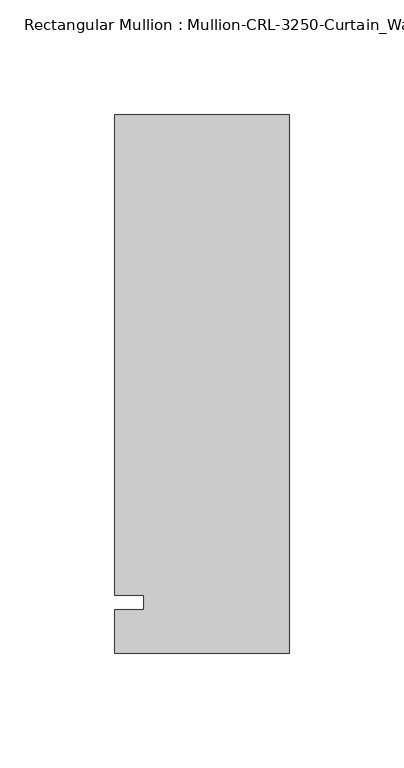
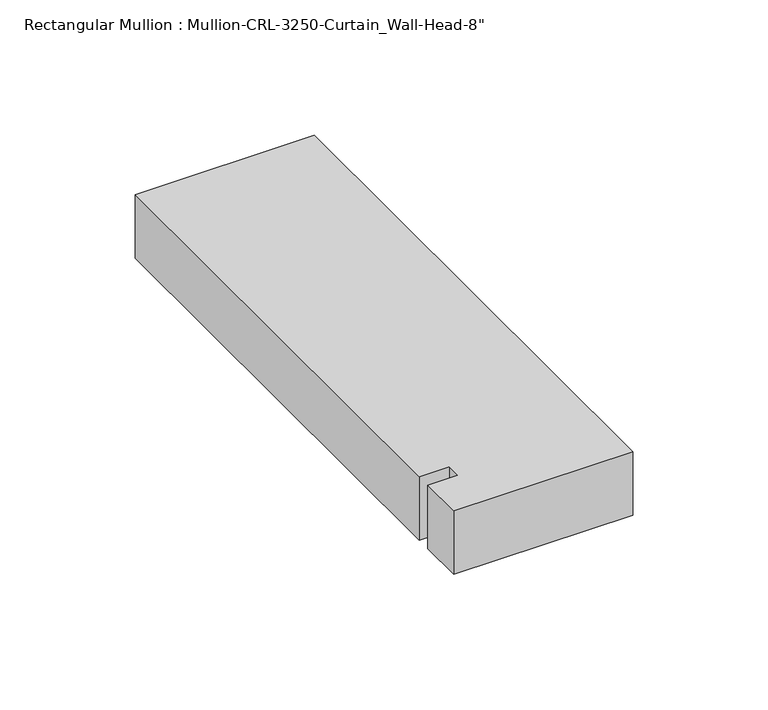
"""IFC4 building model written with IfcOpenShell, lengths in millimetres: member geometry."""

import ifcopenshell
import ifcopenshell.guid

model = None  # the IFC model being written
_history = None  # IfcOwnerHistory: only IFC2X3 demands one
_inside = {}  # id of a spatial element -> (the spatial element, [elements in it])
_under = {}  # id of a project, library or spatial element -> (it, [spatial elements below it])
_declared = {}  # id of a project -> (the project, [libraries it declares])
_typed = {}  # id of a type object -> (the type object, [elements of that type])
_made_of = {}  # id of a material, layer set ... -> (it, [elements and type objects made of it])


def new_model(schema):
    """Start an empty IFC model of exactly this schema.

    Asked for "IFC4X3", IfcOpenShell would pick the latest addendum, in which some entities
    have other attributes; the version numbers below select the first issue.
    IFC2X3 requires an IfcOwnerHistory on every rooted entity: one is made here for all.
    """
    global model, _history
    if schema == "IFC4X3":
        model = ifcopenshell.file(schema_version=(4, 3, 0, 0))
    else:
        model = ifcopenshell.file(schema=schema)
    _inside.clear()
    _under.clear()
    _declared.clear()
    _typed.clear()
    _made_of.clear()
    _history = None
    if model.schema == "IFC2X3":
        org = make("IfcOrganization", Name="unknown")
        user = make(
            "IfcPersonAndOrganization",
            ThePerson=make("IfcPerson", FamilyName="unknown"),
            TheOrganization=org,
        )
        app = make(
            "IfcApplication",
            ApplicationDeveloper=org,
            Version="unknown",
            ApplicationFullName="unknown",
            ApplicationIdentifier="unknown",
        )
        _history = make(
            "IfcOwnerHistory",
            OwningUser=user,
            OwningApplication=app,
            ChangeAction="ADDED",
            CreationDate=0,
        )
    return model


def make(cls, **values):
    """One entity of the class cls with the attributes given. An attribute that is None is left unset."""
    return model.create_entity(
        cls, **{name: value for name, value in values.items() if value is not None}
    )


def rooted(cls, **values):
    """An entity with a GlobalId (a new one), such as an element, a storey or a relation."""
    return make(cls, GlobalId=ifcopenshell.guid.new(), OwnerHistory=_history, **values)


def si_unit(unit_type, name, prefix=None):
    """IfcSIUnit, for example si_unit("LENGTHUNIT", "METRE", prefix="MILLI")."""
    return make("IfcSIUnit", UnitType=unit_type, Prefix=prefix, Name=name)


def assignment(units):
    """IfcUnitAssignment: the units of a project."""
    return None if units is None else make("IfcUnitAssignment", Units=units)


def point(xyz):
    """IfcCartesianPoint."""
    return None if xyz is None else make("IfcCartesianPoint", Coordinates=xyz)


def direction(xyz):
    """IfcDirection."""
    return None if xyz is None else make("IfcDirection", DirectionRatios=xyz)


def frame(location, z_axis=None, x_axis=None):
    """IfcAxis2Placement3D, a coordinate frame: its origin and axes. An axis left out is left unset."""
    return make(
        "IfcAxis2Placement3D",
        Location=point(location),
        Axis=direction(z_axis),
        RefDirection=direction(x_axis),
    )


def origin():
    """The frame at (0, 0, 0) with its axes left unset."""
    return frame((0.0, 0.0, 0.0))


def place(relative_to, where):
    """IfcLocalPlacement: puts the frame where relative to a parent placement (None: the world)."""
    return make(
        "IfcLocalPlacement", PlacementRelTo=relative_to, RelativePlacement=where
    )


def context(
    kind, dimensions, precision=None, world=None, true_north=None, identifier=None
):
    """IfcGeometricRepresentationContext, for example the 3D "Model" context."""
    return make(
        "IfcGeometricRepresentationContext",
        ContextIdentifier=identifier,
        ContextType=kind,
        CoordinateSpaceDimension=dimensions,
        Precision=precision,
        WorldCoordinateSystem=world,
        TrueNorth=true_north,
    )


def project(units=None, contexts=None):
    """IfcProject with its units and contexts."""
    return rooted(
        "IfcProject",
        Name="project",
        RepresentationContexts=contexts,
        UnitsInContext=assignment(units),
    )


def spatial(cls, under=None, at=None, **own):
    """A site, building, storey or space (cls), placed at a placement, below another one or the project."""
    s = rooted(cls, ObjectPlacement=at, **own)
    if under is not None:
        _under.setdefault(under.id(), (under, []))[1].append(s)
    return s


def polyline(points):
    """IfcPolyline through the points."""
    return make("IfcPolyline", Points=[point(p) for p in points])


def outline(outer, holes=None, kind="AREA"):
    """IfcArbitraryClosedProfileDef: a profile drawn as a closed curve; with holes, ...WithVoids."""
    if holes is None:
        return make("IfcArbitraryClosedProfileDef", ProfileType=kind, OuterCurve=outer)
    return make(
        "IfcArbitraryProfileDefWithVoids",
        ProfileType=kind,
        OuterCurve=outer,
        InnerCurves=holes,
    )


def extrude(swept, where, along, depth):
    """IfcExtrudedAreaSolid: the profile swept, set in the frame where, extruded along a direction by depth."""
    return make(
        "IfcExtrudedAreaSolid",
        SweptArea=swept,
        Position=where,
        ExtrudedDirection=direction(along),
        Depth=depth,
    )


def shape(context_of_items, identifier, shape_type, items):
    """IfcShapeRepresentation: the items that make up one representation, for example the "Body"."""
    return make(
        "IfcShapeRepresentation",
        ContextOfItems=context_of_items,
        RepresentationIdentifier=identifier,
        RepresentationType=shape_type,
        Items=items,
    )


def source(mapping_origin, context_of_items, identifier, shape_type, items):
    """IfcRepresentationMap: a shape defined once, which mapped items show again and again."""
    return make(
        "IfcRepresentationMap",
        MappingOrigin=mapping_origin,
        MappedRepresentation=shape(context_of_items, identifier, shape_type, items),
    )


def transform(
    local_origin,
    x_axis=None,
    y_axis=None,
    z_axis=None,
    scale=None,
    scale2=None,
    scale3=None,
    uniform=True,
):
    """IfcCartesianTransformationOperator3D, or its non-uniform kind. x_axis, y_axis, z_axis: its Axis1, 2, 3."""
    if uniform:
        return make(
            "IfcCartesianTransformationOperator3D",
            Axis1=direction(x_axis),
            Axis2=direction(y_axis),
            LocalOrigin=point(local_origin),
            Scale=scale,
            Axis3=direction(z_axis),
        )
    return make(
        "IfcCartesianTransformationOperator3DnonUniform",
        Axis1=direction(x_axis),
        Axis2=direction(y_axis),
        LocalOrigin=point(local_origin),
        Scale=scale,
        Axis3=direction(z_axis),
        Scale2=scale2,
        Scale3=scale3,
    )


def mapped(mapping_source, mapping_target):
    """IfcMappedItem: shows the shape of a source again, moved by a transform."""
    return make(
        "IfcMappedItem", MappingSource=mapping_source, MappingTarget=mapping_target
    )


def made_of(thing, what):
    """Note that an element or type object is made of a material, layer set ...; save() writes the relation."""
    if what is not None:
        _made_of.setdefault(what.id(), (what, []))[1].append(thing)
    return thing


def element(
    cls,
    number,
    at=None,
    inside=None,
    cuts=None,
    type_object=None,
    material=None,
    context=None,
    identifier="Body",
    shape_type=None,
    held_by="IfcProductDefinitionShape",
    body=None,
    shapes=None,
    **own,
):
    """One element of the class cls, such as IfcWall. Its Tag is "e" and its number.

    at: its placement. inside: the storey or other place that contains it. cuts: it is an
    opening in that element (IfcRelVoidsElement). A single representation is given by context,
    identifier, shape_type and body (its items); several are given by shapes. held_by: the class
    of the entity that holds the representations. save() writes the other relations.
    """
    e = rooted(cls, Tag="e%d" % number, ObjectPlacement=at, **own)
    if body is not None:
        shapes = [shape(context, identifier, shape_type, body)]
    if shapes is not None:
        e.Representation = make(held_by, Representations=shapes)
    if inside is not None:
        _inside.setdefault(inside.id(), (inside, []))[1].append(e)
    if cuts is not None:
        rooted(
            "IfcRelVoidsElement", RelatingBuildingElement=cuts, RelatedOpeningElement=e
        )
    if type_object is not None:
        _typed.setdefault(type_object.id(), (type_object, []))[1].append(e)
    return made_of(e, material)


def aggregate(whole, parts):
    """IfcRelAggregates: a whole, such as a stair, and the parts it consists of."""
    return rooted("IfcRelAggregates", RelatingObject=whole, RelatedObjects=parts)


def save(model, path):
    """Write the relations noted so far, then the file.

    IfcRelAggregates (storeys below a building ...), IfcRelContainedInSpatialStructure (elements
    in a storey), IfcRelDefinesByType, IfcRelAssociatesMaterial and IfcRelDeclares: one each for
    every whole, place, type object, material and project.
    """
    for whole, parts in _under.values():
        aggregate(whole, parts)
    for where, things in _inside.values():
        rooted(
            "IfcRelContainedInSpatialStructure",
            RelatedElements=things,
            RelatingStructure=where,
        )
    for kind, things in _typed.values():
        rooted("IfcRelDefinesByType", RelatedObjects=things, RelatingType=kind)
    for what, things in _made_of.values():
        rooted("IfcRelAssociatesMaterial", RelatedObjects=things, RelatingMaterial=what)
    for by, libraries in _declared.values():
        rooted("IfcRelDeclares", RelatingContext=by, RelatedDefinitions=libraries)
    model.write(path)


def member_056bfcd9(model_context):
    return source(origin(), model_context, "Body", "SweptSolid", [
        extrude(outline(polyline([(0.0, -22.2254168), (-76.199997, -22.2254168), (-76.199997, -3.175), (-63.499997, -3.175), (-63.499997, 3.175), (-76.199997, 3.175), (-76.199997, 212.7246139), (0.0, 212.7246139), (0.0, -22.2254168)])), frame((0.0, 0.0, -28.5821059), z_axis=(0.0, 0.0, 1.0), x_axis=(1.0, 0.0, 0.0)), (0.0, 0.0, 1.0), 28.5821059),
    ])


if __name__ == "__main__":
    model = new_model("IFC4")
    model_context = context("Model", 3, world=origin())
    ifc_project = project(units=[si_unit("LENGTHUNIT", "METRE", prefix="MILLI")], contexts=[model_context])
    site = spatial("IfcSite", under=ifc_project)
    building = spatial("IfcBuilding", under=site)
    placement = place(None, origin())
    member_shape = member_056bfcd9(model_context)
    element("IfcMember", 1, ObjectType="Rectangular Mullion : Mullion-CRL-3250-Curtain_Wall-Head-8\"", at=placement, inside=building, context=model_context, shape_type="MappedRepresentation", body=[
        mapped(member_shape, transform((0.0, 0.0, 0.0), x_axis=(1.0, 0.0, 0.0), y_axis=(0.0, 1.0, 0.0), z_axis=(0.0, 0.0, 1.0))),
    ])
    save(model, "model.ifc")
